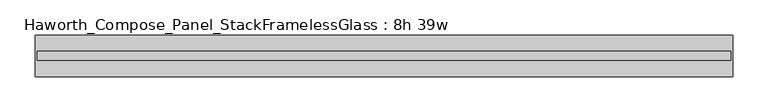
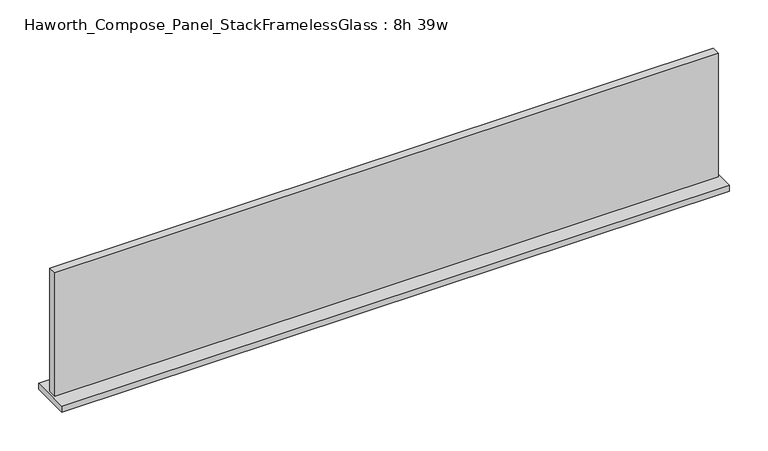
"""IFC4 building model written with IfcOpenShell, lengths in millimetres: furniture geometry, Haworth_Compose_Panel_StackFramelessGlass : 8h 39w."""

from ifc_helpers import new_model, si_unit, frame, origin, place, context, project, spatial, polyline, outline, extrude, source, transform, mapped, element, save


def haworth_compose_panel_stackframelessglass_8h_39w_8dcf9204(model_context):
    return source(origin(), model_context, "Body", "SweptSolid", [
        extrude(outline(polyline([(494.5652902, -27.3093594), (-489.6847098, -27.3093594), (-489.6847098, -14.6093594), (494.5652902, -14.6093594), (494.5652902, -27.3093594)])), frame((0.0, 0.0, 1279.525), z_axis=(0.0, 0.0, 1.0), x_axis=(1.0, 0.0, 0.0)), (0.0, 0.0, 1.0), 193.675),
        extrude(outline(polyline([(-492.8597098, -50.3281094), (-492.8597098, 8.4093906), (497.7402902, 8.4093906), (497.7402902, -50.3281094), (-492.8597098, -50.3281094)])), frame((0.0, 0.0, 1270.0), z_axis=(0.0, 0.0, 1.0), x_axis=(1.0, 0.0, 0.0)), (0.0, 0.0, 1.0), 9.525),
    ])


if __name__ == "__main__":
    model = new_model("IFC4")
    model_context = context("Model", 3, world=origin())
    ifc_project = project(units=[si_unit("LENGTHUNIT", "METRE", prefix="MILLI")], contexts=[model_context])
    site = spatial("IfcSite", under=ifc_project)
    building = spatial("IfcBuilding", under=site)
    placement = place(None, origin())
    haworth_compose_panel_stackframelessglass_8h_39w_shape = haworth_compose_panel_stackframelessglass_8h_39w_8dcf9204(model_context)
    element("IfcFurniture", 1, ObjectType="Haworth_Compose_Panel_StackFramelessGlass : 8h 39w", at=placement, inside=building, context=model_context, shape_type="MappedRepresentation", body=[
        mapped(haworth_compose_panel_stackframelessglass_8h_39w_shape, transform((0.0, 0.0, 0.0), x_axis=(1.0, 0.0, 0.0), y_axis=(0.0, 1.0, 0.0), z_axis=(0.0, 0.0, 1.0))),
    ])
    save(model, "model.ifc")
